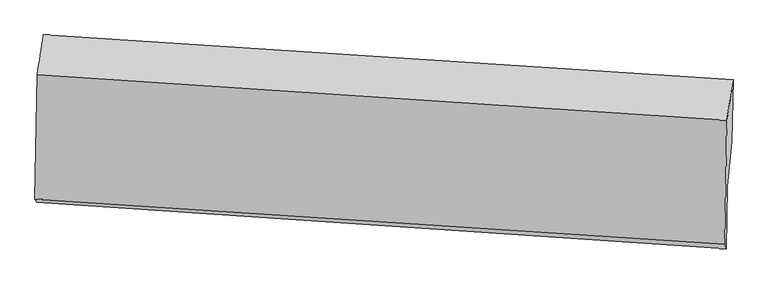
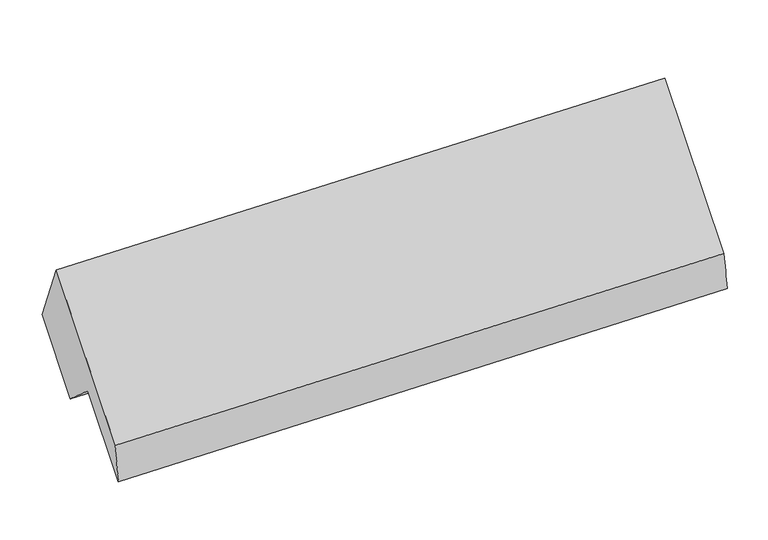
"""IFC4 building model written with IfcOpenShell, lengths in millimetres: proxy geometry."""

from ifc_helpers import new_model, si_unit, frame, origin, place, context, project, spatial, source, transform, mapped, element, save
from ifc_brep_helpers import plane_surface, spline_surface, advanced_brep


def generic_models_b0c68ac6(model_context):
    return source(origin(), model_context, "Body", "AdvancedBrep", [
        advanced_brep(
        [(-5302.2219827, -997.0872177, 2627.2628697), (-5318.1973125, -1872.6701681, 1624.4969505), (-456.6669774, -2192.6301783, 1799.8722513), (-440.6916476, -1317.0472279, 2802.6381705), (-5306.14892, -1894.1964038, 1312.1350303), (-446.0831384, -2222.584996, 1508.1698105), (-5297.8502612, -1439.3598366, 1833.03897), (-438.0244701, -1780.9019338, 2014.0096303), (-5265.8184748, -1136.0257476, 1567.6670923), (-405.2004094, -1470.0651776, 1742.0740429), (-5258.1528096, -715.8825753, 2048.8382415), (-397.1747585, -1030.1917477, 2245.841372)],
        [
            (0, 1),
            (1, 2),
            (2, 3),
            (3, 0),
            (1, 4),
            (4, 5),
            (5, 2),
            (4, 6),
            (6, 7),
            (7, 5),
            (6, 8),
            (8, 9),
            (9, 7),
            (8, 10),
            (10, 11),
            (11, 9),
            (10, 0),
            (3, 11),
        ],
        [
            plane_surface(frame((-5310.2096476, -1434.8786929, 2125.8799101), z_axis=(-0.07309208737725185, -0.750668204879765, 0.6566237834143899), x_axis=(-0.011999524456064918, -0.6576752523877668, -0.7532059969288054))),
            spline_surface(1, 1, [[(-5318.1973125, -1872.6701681, 1624.4969505), (-456.6669774, -2192.6301783, 1799.8722513)], [(-5306.14892, -1894.1964038, 1312.1350303), (-446.0831384, -2222.584996, 1508.1698105)]], [2, 2], [2, 2], [0.0, 1.0], [0.0, 1.0]),
            plane_surface(frame((-5301.9995906, -1666.7781202, 1572.5870001), z_axis=(0.077182621827353, 0.7504037122726713, -0.6564580043652831), x_axis=(0.011999524456065412, 0.657675252387767, 0.7532059969288052))),
            plane_surface(frame((-5281.834368, -1287.6927921, 1700.3530312), z_axis=(-0.01813315045286602, -0.657247117165099, -0.7534569767629872), x_axis=(0.07922744064984125, 0.7502667273901525, -0.6563709701223437))),
            plane_surface(frame((-5261.9856422, -925.9541614, 1808.2526669), z_axis=(0.07513749546101982, 0.7505375386257603, -0.6565422757823224), x_axis=(0.01199952445606488, 0.6576752523877583, 0.753205996928813))),
            spline_surface(1, 1, [[(-5258.1528096, -715.8825753, 2048.8382415), (-397.1747585, -1030.1917477, 2245.841372)], [(-5302.2219827, -997.0872177, 2627.2628697), (-440.6916476, -1317.0472279, 2802.6381705)]], [2, 2], [2, 2], [0.0, 1.0], [0.0, 1.0]),
            plane_surface(frame((-430.6402336, -1668.9035435, 2018.7675462), z_axis=(0.9967843418016278, -0.06755072292701766, 0.04310308308153192), x_axis=(0.01199952445606488, 0.6576752523877583, 0.753205996928813))),
            plane_surface(frame((-5291.3982935, -1342.5369915, 1835.5731924), z_axis=(-0.996784341801628, 0.0675507229270147, -0.04310308308153044), x_axis=(0.06835978505479444, 0.4362026234404647, -0.8972481323975652))),
        ],
        [
            (0, [[1, 2, 3, 4]]),
            (1, [[5, 6, 7, -2]]),
            (2, [[8, 9, 10, -6]]),
            (3, [[11, 12, 13, -9]]),
            (4, [[14, 15, 16, -12]]),
            (5, [[17, -4, 18, -15]]),
            (6, [[-16, -18, -3, -7, -10, -13]]),
            (7, [[-17, -14, -11, -8, -5, -1]]),
        ],
    ),
    ])


if __name__ == "__main__":
    model = new_model("IFC4")
    model_context = context("Model", 3, world=origin())
    ifc_project = project(units=[si_unit("LENGTHUNIT", "METRE", prefix="MILLI")], contexts=[model_context])
    site = spatial("IfcSite", under=ifc_project)
    building = spatial("IfcBuilding", under=site)
    placement = place(None, origin())
    generic_models_shape = generic_models_b0c68ac6(model_context)
    element("IfcBuildingElementProxy", 1, Name="Generic Models", at=placement, inside=building, context=model_context, shape_type="MappedRepresentation", body=[
        mapped(generic_models_shape, transform((0.0, 0.0, 0.0), x_axis=(1.0, 0.0, 0.0), y_axis=(0.0, 1.0, 0.0), z_axis=(0.0, 0.0, 1.0))),
    ])
    save(model, "model.ifc")
